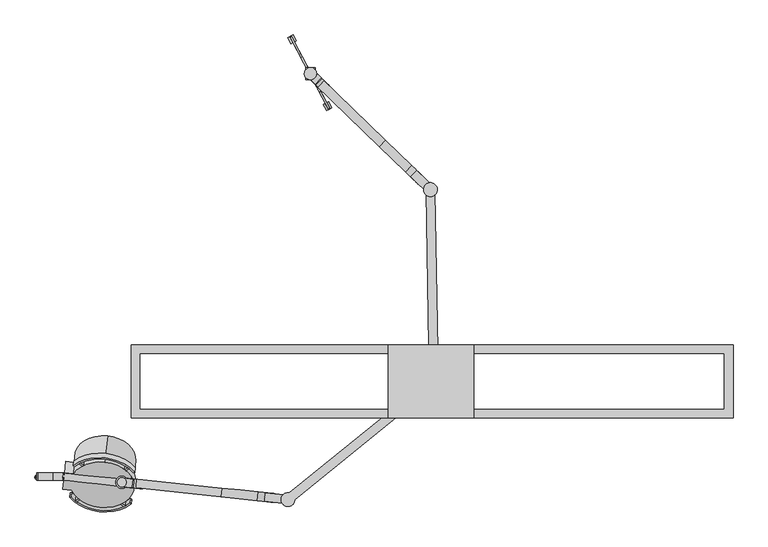
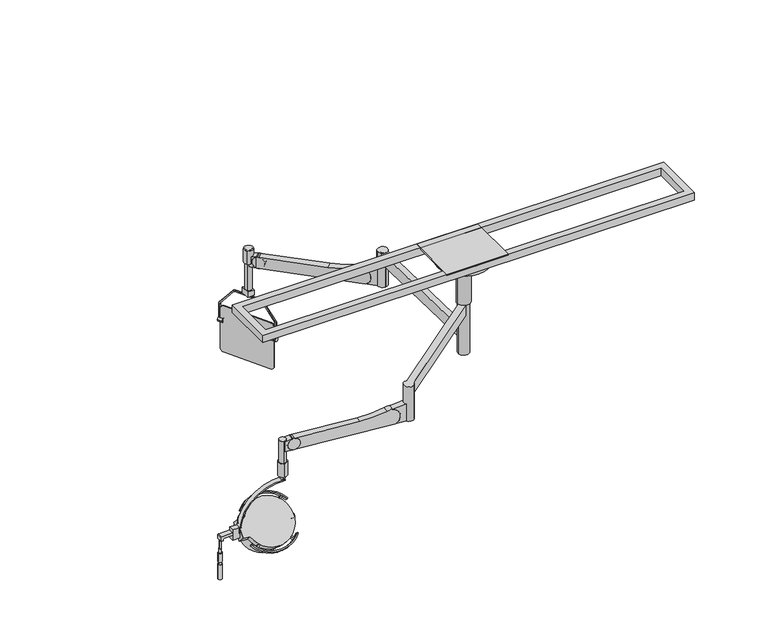
"""IFC4 building model written with IfcOpenShell, lengths in millimetres: proxy geometry."""

from ifc_helpers import new_model, si_unit, point, frame, frame_2d, origin, place, context, project, spatial, polyline, circle_curve, trimmed, segment, composite_curve, outline, extrude, source, transform, mapped, element, save
from ifc_brep_helpers import plane_surface, cylinder_surface, revolved_surface, advanced_brep


def specialty_equipment_5d652185(model_context):
    return source(origin(), model_context, "Body", "SolidModel", [
        advanced_brep(
        [(-513.8942609, 1001.8395463, 2046.4112668), (-522.8376942, 1018.6596979, 2027.3612668), (-522.8376942, 1018.6596979, 1784.8611512), (-513.8942609, 1001.8395463, 1765.8111512), (-383.4691924, 756.5456681, 1765.8111512), (-374.5257591, 739.7255165, 1784.8611512), (-374.5257591, 739.7255165, 2027.3612668), (-383.4691924, 756.5456681, 2046.4112668), (-508.4514172, 1004.7335576, 2046.4289905), (-377.9850696, 759.3620447, 2046.4289905), (-369.0829154, 742.6195278, 2027.3612668), (-369.0829154, 742.6195278, 1784.8611512), (-378.0263487, 759.4396794, 1765.8111512), (-508.4514172, 1004.7335576, 1765.8111512), (-517.3948505, 1021.5537092, 1784.8611512), (-517.3948505, 1021.5537092, 2027.3612668)],
        [
            (0, 1, circle_curve(frame((-513.8942609, 1001.8395463, 2027.3612668), z_axis=(-0.8829475928589281, -0.4694715627858887, 0.0), x_axis=(0.4694715627858887, -0.8829475928589281, 0.0)), 19.05)),
            (1, 2),
            (2, 3, circle_curve(frame((-513.8942609, 1001.8395463, 1784.8611512), z_axis=(-0.8829475928589281, -0.4694715627858887, 0.0), x_axis=(0.4694715627858887, -0.8829475928589281, 0.0)), 19.05)),
            (3, 4),
            (4, 5, circle_curve(frame((-383.4691924, 756.5456681, 1784.8611512), z_axis=(-0.8829475928589281, -0.4694715627858887, 0.0), x_axis=(0.4694715627858887, -0.8829475928589281, 0.0)), 19.05)),
            (5, 6),
            (6, 7, circle_curve(frame((-383.4691924, 756.5456681, 2027.3612668), z_axis=(-0.8829475928589281, -0.4694715627858887, 0.0), x_axis=(0.4694715627858887, -0.8829475928589281, 0.0)), 19.05)),
            (7, 0),
            (8, 9),
            (9, 10, circle_curve(frame((-378.0263487, 759.4396794, 2027.3612668), z_axis=(0.8829475928589281, 0.4694715627858887, 0.0), x_axis=(0.4694715627858887, -0.8829475928589281, 0.0)), 19.05)),
            (10, 11),
            (11, 12, circle_curve(frame((-378.0263487, 759.4396794, 1784.8611512), z_axis=(0.8829475928589281, 0.4694715627858887, 0.0), x_axis=(0.4694715627858887, -0.8829475928589281, 0.0)), 19.05)),
            (12, 13),
            (13, 14, circle_curve(frame((-508.4514172, 1004.7335576, 1784.8611512), z_axis=(0.8829475928589281, 0.4694715627858887, 0.0), x_axis=(0.4694715627858887, -0.8829475928589281, 0.0)), 19.05)),
            (14, 15),
            (15, 8, circle_curve(frame((-508.4514172, 1004.7335576, 2027.3612668), z_axis=(0.8829475928589281, 0.4694715627858887, 0.0), x_axis=(0.4694715627858887, -0.8829475928589281, 0.0)), 19.05)),
            (1, 15),
            (14, 2),
            (3, 13),
            (12, 4),
            (7, 9),
            (8, 0),
            (11, 5),
            (10, 6),
        ],
        [
            plane_surface(frame((-504.9508276, 985.0193946, 2027.3612668), z_axis=(-0.8829475928589281, -0.4694715627858887, 0.0), x_axis=(0.0, 0.0, 1.0))),
            plane_surface(frame((-499.507984, 987.9134059, 2027.3612668), z_axis=(0.8829475928589281, 0.4694715627858887, 0.0), x_axis=(0.0, 0.0, -1.0))),
            plane_surface(frame((-522.8376942, 1018.6596979, 2027.3612668), z_axis=(-0.46947156278589225, 0.8829475928589262, 0.0), x_axis=(0.8829475928589262, 0.46947156278589225, 0.0))),
            plane_surface(frame((-513.8942609, 1001.8395463, 1765.8111512), z_axis=(0.0, 0.0, -1.0000000000000002), x_axis=(0.8829475928589262, 0.46947156278589225, 0.0))),
            plane_surface(frame((-383.4279132, 756.4680334, 2046.4289905), z_axis=(0.0, 0.0, 1.0000000000000002), x_axis=(0.8829475928589262, 0.46947156278589225, 0.0))),
            cylinder_surface(frame((-508.4514172, 1004.7335576, 2027.3612668), z_axis=(-0.8829475928589281, -0.4694715627858887, 0.0), x_axis=(0.4694715627858887, -0.8829475928589281, 0.0)), 19.05),
            cylinder_surface(frame((-508.4514172, 1004.7335576, 1784.8611512), z_axis=(-0.8829475928589281, -0.4694715627858887, 0.0), x_axis=(0.4694715627858887, -0.8829475928589281, 0.0)), 19.05),
            cylinder_surface(frame((-378.0263487, 759.4396794, 1784.8611512), z_axis=(-0.8829475928589281, -0.4694715627858887, 0.0), x_axis=(0.4694715627858887, -0.8829475928589281, 0.0)), 19.05),
            plane_surface(frame((-374.5257591, 739.7255165, 1784.8611512), z_axis=(0.46947156278589225, -0.8829475928589262, 0.0), x_axis=(0.8829475928589262, 0.46947156278589225, 0.0))),
            cylinder_surface(frame((-378.0263487, 759.4396794, 2027.3612668), z_axis=(-0.8829475928589281, -0.4694715627858887, 0.0), x_axis=(0.4694715627858887, -0.8829475928589281, 0.0)), 19.05),
        ],
        [
            (0, [[1, 2, 3, 4, 5, 6, 7, 8]]),
            (1, [[9, 10, 11, 12, 13, 14, 15, 16]]),
            (2, [[-2, 17, -15, 18]]),
            (3, [[-4, 19, -13, 20]]),
            (4, [[-8, 21, -9, 22]]),
            (5, [[-1, -22, -16, -17]]),
            (6, [[-3, -18, -14, -19]]),
            (7, [[-5, -20, -12, 23]]),
            (8, [[-6, -23, -11, 24]]),
            (9, [[-7, -24, -10, -21]]),
        ],
    ),
        extrude(outline(composite_curve([segment(trimmed(circle_curve(frame_2d((0.0, -12.7)), 12.7), [point((0.0, -25.4))], [point((0.0, 0.0))], False, "CARTESIAN"), True, "CONTINUOUS"), segment(trimmed(circle_curve(frame_2d((0.0, -12.7)), 12.7), [point((0.0, 0.0))], [point((0.0, -25.4))], False, "CARTESIAN"), True, "CONTINUOUS")], self_intersect=False)), frame((-523.812155, 1000.15818, 1957.1110612), z_axis=(-0.46947156278589297, 0.8829475928589258, 0.0), x_axis=(0.0, 0.0, -1.0)), (0.0, 0.0, 1.0), 27.7312661),
        extrude(outline(composite_curve([segment(trimmed(circle_curve(frame_2d((0.0, -12.7)), 12.7), [point((0.0, -25.3999999))], [point((0.0, 0.0))], False, "CARTESIAN"), True, "CONTINUOUS"), segment(trimmed(circle_curve(frame_2d((0.0, -12.7)), 12.7), [point((0.0, 0.0))], [point((0.0, -25.3999999))], False, "CARTESIAN"), True, "CONTINUOUS")], self_intersect=False)), frame((-375.9280269, 722.0285866, 1957.1110612), z_axis=(-0.4694715627858873, 0.8829475928589289, 0.0), x_axis=(0.0, 0.0, -1.0)), (0.0, 0.0, 1.0), 27.7312661),
        extrude(outline(polyline([(-462.8551233, 850.0746977), (-462.8551233, 900.8746977), (-423.7336203, 900.8746977), (-423.7336203, 850.0746977), (-462.8551233, 850.0746977)])), frame((0.0, 0.0, 2174.6956266), z_axis=(0.0, 0.0, 1.0), x_axis=(1.0, 0.0, 0.0)), (0.0, 0.0, 1.0), 31.75),
        extrude(outline(composite_curve([segment(trimmed(circle_curve(frame_2d((0.0, -20.2693963)), 20.2693964), [point((12.7168685, -4.4855538))], [point((20.2693964, -20.2693963))], False, "CARTESIAN"), True, "CONTINUOUS"), segment(polyline([(20.2693964, -20.2693963), (20.2693964, -168.0406938)]), True, "CONTINUOUS"), segment(trimmed(circle_curve(frame_2d((0.0, -168.0406938)), 20.2693964), [point((20.2693964, -168.0406938))], [point((11.9140523, -184.4389799))], False, "CARTESIAN"), True, "CONTINUOUS"), segment(polyline([(11.9140523, -184.4389799), (-84.9796948, -262.5366206)]), True, "CONTINUOUS"), segment(trimmed(circle_curve(frame_2d((-92.4638155, -253.4593625)), 11.7647217), [point((-84.9796948, -262.5366206))], [point((-92.3622355, -265.2236457))], False, "CARTESIAN"), True, "CONTINUOUS"), segment(polyline([(-92.3622355, -265.2236457), (-177.1978944, -265.2236457), (-177.1978944, -256.6369988), (-94.1751587, -256.6369988)]), True, "CONTINUOUS"), segment(trimmed(circle_curve(frame_2d((-93.8125497, -246.9819184)), 9.661887), [point((-94.1751587, -256.6369988))], [point((-87.7322164, -254.4906872))], True, "CARTESIAN"), True, "CONTINUOUS"), segment(polyline([(-87.7322164, -254.4906872), (11.0847239, -174.4722513)]), True, "CONTINUOUS"), segment(trimmed(circle_curve(frame_2d((6.5642061, -168.8897411)), 7.1832793), [point((11.0847239, -174.4722513))], [point((13.7470195, -168.9715488))], True, "CARTESIAN"), True, "CONTINUOUS"), segment(polyline([(13.7470195, -168.9715488), (13.7470195, -15.1713537)]), True, "CONTINUOUS"), segment(trimmed(circle_curve(frame_2d((6.5642061, -15.2531615)), 7.1832793), [point((13.7470195, -15.1713537))], [point((10.9381038, -9.555046))], True, "CARTESIAN"), True, "CONTINUOUS"), segment(polyline([(10.9381038, -9.555046), (-87.9294285, 66.3360918)]), True, "CONTINUOUS"), segment(trimmed(circle_curve(frame_2d((-93.8125501, 58.6718279)), 9.661887), [point((-87.9294285, 66.3360918))], [point((-91.9442248, 68.1513543))], True, "CARTESIAN"), True, "CONTINUOUS"), segment(polyline([(-91.9442248, 68.1513543), (-177.1978944, 68.1513543), (-177.1978944, 76.9135556), (-92.3623126, 76.9135556)]), True, "CONTINUOUS"), segment(trimmed(circle_curve(frame_2d((-92.463816, 65.1492718)), 11.7647217), [point((-92.3623126, 76.9135556))], [point((-85.0827171, 74.3104975))], False, "CARTESIAN"), True, "CONTINUOUS"), segment(polyline([(-85.0827171, 74.3104975), (12.7168685, -4.4855538)]), True, "CONTINUOUS")], self_intersect=False)), frame((-403.6078411, 794.4209579, 2146.9059978), z_axis=(0.8829475928589281, 0.4694715627858887, 0.0), x_axis=(0.0, 0.0, 1.0)), (0.0, 0.0, 1.0), 6.1644017),
        advanced_brep(
        [(-1584.208122, -803.9443314, 2028.4513735), (-1570.1467767, -803.9443314, 2028.4513735), (-1571.9428855, -803.9443314, 2028.4513735), (-1582.4120132, -803.9443314, 2028.4513735), (-1584.208122, -803.9443314, 2003.0513735), (-1570.1467767, -803.9443314, 2003.0513735), (-1587.8930744, -803.9443314, 2003.0513735), (-1566.4618244, -803.9443314, 2003.0513735), (-1587.8930744, -803.9443314, 1949.888952), (-1566.4618244, -803.9443314, 1949.888952), (-1585.7004757, -803.9443314, 1933.2013735), (-1568.654423, -803.9443314, 1933.2013735), (-1568.654423, -803.9443314, 1949.888952), (-1585.7004757, -803.9443314, 1949.888952), (-1588.2899494, -803.9443314, 1933.2013735), (-1566.0649494, -803.9443314, 1933.2013735), (-1588.2899494, -803.9443314, 1844.3013735), (-1566.0649494, -803.9443314, 1844.3013735), (-1577.1774494, -803.9443314, 1844.3013735), (-1582.4120132, -803.9443314, 2079.2513735), (-1571.9428855, -803.9443314, 2079.2513735), (-1577.1774494, -803.9443314, 2079.2513735)],
        [
            (0, 1, circle_curve(frame((-1577.1774494, -803.9443314, 2028.4513735), z_axis=(0.0, 0.0, 1.0), x_axis=(1.0, 0.0, 0.0)), 7.0306726)),
            (1, 2),
            (2, 3, circle_curve(frame((-1577.1774494, -803.9443314, 2028.4513735), z_axis=(0.0, 0.0, -1.0), x_axis=(1.0, 0.0, 0.0)), 5.2345639)),
            (3, 0),
            (1, 0, circle_curve(frame((-1577.1774494, -803.9443314, 2028.4513735), z_axis=(0.0, 0.0, 1.0), x_axis=(1.0, 0.0, 0.0)), 7.0306726)),
            (3, 2, circle_curve(frame((-1577.1774494, -803.9443314, 2028.4513735), z_axis=(0.0, 0.0, -1.0), x_axis=(1.0, 0.0, 0.0)), 5.2345639)),
            (4, 5, circle_curve(frame((-1577.1774494, -803.9443314, 2003.0513735), z_axis=(0.0, 0.0, 1.0), x_axis=(1.0, 0.0, 0.0)), 7.0306726)),
            (5, 1),
            (0, 4),
            (5, 4, circle_curve(frame((-1577.1774494, -803.9443314, 2003.0513735), z_axis=(0.0, 0.0, 1.0), x_axis=(1.0, 0.0, 0.0)), 7.0306726)),
            (6, 7, circle_curve(frame((-1577.1774494, -803.9443314, 2003.0513735), z_axis=(0.0, 0.0, 1.0), x_axis=(1.0, 0.0, 0.0)), 10.715625)),
            (7, 5),
            (4, 6),
            (7, 6, circle_curve(frame((-1577.1774494, -803.9443314, 2003.0513735), z_axis=(0.0, 0.0, 1.0), x_axis=(1.0, 0.0, 0.0)), 10.715625)),
            (8, 9, circle_curve(frame((-1577.1774494, -803.9443314, 1949.888952), z_axis=(0.0, 0.0, 1.0), x_axis=(1.0, 0.0, 0.0)), 10.715625)),
            (9, 7),
            (6, 8),
            (9, 8, circle_curve(frame((-1577.1774494, -803.9443314, 1949.888952), z_axis=(0.0, 0.0, 1.0), x_axis=(1.0, 0.0, 0.0)), 10.715625)),
            (10, 11, circle_curve(frame((-1577.1774494, -803.9443314, 1933.2013735), z_axis=(0.0, 0.0, 1.0), x_axis=(1.0, 0.0, 0.0)), 8.5230263)),
            (11, 12),
            (12, 13, circle_curve(frame((-1577.1774494, -803.9443314, 1949.888952), z_axis=(0.0, 0.0, -1.0), x_axis=(1.0, 0.0, 0.0)), 8.5230263)),
            (13, 10),
            (11, 10, circle_curve(frame((-1577.1774494, -803.9443314, 1933.2013735), z_axis=(0.0, 0.0, 1.0), x_axis=(1.0, 0.0, 0.0)), 8.5230263)),
            (13, 12, circle_curve(frame((-1577.1774494, -803.9443314, 1949.888952), z_axis=(0.0, 0.0, -1.0), x_axis=(1.0, 0.0, 0.0)), 8.5230263)),
            (14, 15, circle_curve(frame((-1577.1774494, -803.9443314, 1933.2013735), z_axis=(0.0, 0.0, 1.0), x_axis=(1.0, 0.0, 0.0)), 11.1125)),
            (15, 11),
            (10, 14),
            (15, 14, circle_curve(frame((-1577.1774494, -803.9443314, 1933.2013735), z_axis=(0.0, 0.0, 1.0), x_axis=(1.0, 0.0, 0.0)), 11.1125)),
            (16, 17, circle_curve(frame((-1577.1774494, -803.9443314, 1844.3013735), z_axis=(0.0, 0.0, 1.0), x_axis=(1.0, 0.0, 0.0)), 11.1125)),
            (17, 15),
            (14, 16),
            (17, 16, circle_curve(frame((-1577.1774494, -803.9443314, 1844.3013735), z_axis=(0.0, 0.0, 1.0), x_axis=(1.0, 0.0, 0.0)), 11.1125)),
            (18, 17),
            (16, 18),
            (19, 20, circle_curve(frame((-1577.1774494, -803.9443314, 2079.2513735), z_axis=(0.0, 0.0, 1.0), x_axis=(1.0, 0.0, 0.0)), 5.2345639)),
            (20, 21),
            (21, 19),
            (20, 19, circle_curve(frame((-1577.1774494, -803.9443314, 2079.2513735), z_axis=(0.0, 0.0, 1.0), x_axis=(1.0, 0.0, 0.0)), 5.2345639)),
            (2, 20),
            (19, 3),
            (12, 9),
            (8, 13),
        ],
        [
            plane_surface(frame((-1577.1774494, -803.9443314, 2028.4513735), z_axis=(0.0, 0.0, 1.0), x_axis=(1.0, 0.0, 0.0))),
            cylinder_surface(frame((-1577.1774494, -803.9443314, 2079.2513735), z_axis=(0.0, 0.0, -1.0), x_axis=(1.0, 0.0, 0.0)), 7.0306726),
            plane_surface(frame((-1577.1774494, -803.9443314, 2003.0513735), z_axis=(0.0, 0.0, 1.0), x_axis=(1.0, 0.0, 0.0))),
            cylinder_surface(frame((-1577.1774494, -803.9443314, 2079.2513735), z_axis=(0.0, 0.0, -1.0), x_axis=(1.0, 0.0, 0.0)), 10.715625),
            cylinder_surface(frame((-1577.1774494, -803.9443314, 2079.2513735), z_axis=(0.0, 0.0, -1.0), x_axis=(1.0, 0.0, 0.0)), 8.5230263),
            plane_surface(frame((-1577.1774494, -803.9443314, 1933.2013735), z_axis=(0.0, 0.0, 1.0), x_axis=(1.0, 0.0, 0.0))),
            cylinder_surface(frame((-1577.1774494, -803.9443314, 2079.2513735), z_axis=(0.0, 0.0, -1.0), x_axis=(1.0, 0.0, 0.0)), 11.1125),
            plane_surface(frame((-1577.1774494, -803.9443314, 1844.3013735), z_axis=(0.0, 0.0, -1.0), x_axis=(1.0, 0.0, 0.0))),
            plane_surface(frame((-1577.1774494, -803.9443314, 2079.2513735), z_axis=(0.0, 0.0, 1.0), x_axis=(1.0, 0.0, 0.0))),
            cylinder_surface(frame((-1577.1774494, -803.9443314, 2079.2513735), z_axis=(0.0, 0.0, -1.0), x_axis=(1.0, 0.0, 0.0)), 5.2345639),
            plane_surface(frame((-1577.1774494, -803.9443314, 1949.888952), z_axis=(0.0, 0.0, -1.0), x_axis=(1.0, 0.0, 0.0))),
        ],
        [
            (0, [[1, 2, 3, 4]]),
            (0, [[5, -4, 6, -2]]),
            (1, [[7, 8, -1, 9]]),
            (1, [[10, -9, -5, -8]]),
            (2, [[11, 12, -7, 13]]),
            (2, [[14, -13, -10, -12]]),
            (3, [[15, 16, -11, 17]]),
            (3, [[18, -17, -14, -16]]),
            (4, [[19, 20, 21, 22]]),
            (4, [[23, -22, 24, -20]]),
            (5, [[25, 26, -19, 27]]),
            (5, [[28, -27, -23, -26]]),
            (6, [[29, 30, -25, 31]]),
            (6, [[32, -31, -28, -30]]),
            (7, [[33, -29, 34]]),
            (7, [[-34, -32, -33]]),
            (8, [[35, 36, 37]]),
            (8, [[38, -37, -36]]),
            (9, [[-3, 39, -35, 40]]),
            (9, [[-6, -40, -38, -39]]),
            (10, [[-21, 41, -15, 42]]),
            (10, [[-24, -42, -18, -41]]),
        ],
    ),
        extrude(outline(composite_curve([segment(polyline([(2091.9513735, -1560.3619797), (2091.9513735, -1511.2210105), (2107.0326235, -1511.2210105), (2107.0326235, -1574.7210105)]), True, "CONTINUOUS"), segment(trimmed(circle_curve(frame_2d((2100.6826235, -1574.7210105)), 6.35), [point((2107.0326235, -1574.7210105))], [point((2100.6826235, -1581.0710105))], False, "CARTESIAN"), True, "CONTINUOUS"), segment(polyline([(2100.6826235, -1581.0710105), (2079.2513735, -1581.0710105), (2079.2513735, -1565.9897605), (2086.3235927, -1565.9897605)]), True, "CONTINUOUS"), segment(trimmed(circle_curve(frame_2d((2086.3235927, -1560.3619797)), 5.6277808), [point((2086.3235927, -1565.9897605))], [point((2091.9513735, -1560.3619797))], True, "CARTESIAN"), True, "CONTINUOUS")], self_intersect=False)), frame((0.0, -816.7454978, 0.0), z_axis=(0.0, 1.0, 0.0), x_axis=(0.0, 0.0, 1.0)), (0.0, 0.0, 1.0), 30.2616651),
        extrude(outline(polyline([(-1511.2210105, -816.7454978), (-1511.2210105, -786.4838327), (-1461.9484859, -786.4838327), (-1461.9484859, -816.7454978), (-1511.2210105, -816.7454978)])), frame((0.0, 0.0, 2063.0952448), z_axis=(0.0, 0.0, 1.0), x_axis=(1.0, 0.0, 0.0)), (0.0, 0.0, 1.0), 62.4747574),
        extrude(outline(composite_curve([segment(trimmed(circle_curve(frame_2d((-442.6627669, 875.4746977)), 25.4), [point((-425.0184443, 893.7459287))], [point((-460.3070895, 857.2034668))], False, "CARTESIAN"), True, "CONTINUOUS"), segment(trimmed(circle_curve(frame_2d((-442.6627669, 875.4746977)), 25.4), [point((-460.3070895, 857.2034668))], [point((-425.0184443, 893.7459287))], False, "CARTESIAN"), True, "CONTINUOUS")], self_intersect=False)), frame((0.0, 0.0, 2372.395801), z_axis=(0.0, 0.0, 1.0), x_axis=(1.0, 0.0, 0.0)), (0.0, 0.0, 1.0), 81.4023591),
        extrude(outline(composite_curve([segment(trimmed(circle_curve(frame_2d((-442.6627669, 875.4746977)), 19.05), [point((-429.4295249, 889.1781209))], [point((-455.8960088, 861.7712745))], False, "CARTESIAN"), True, "CONTINUOUS"), segment(trimmed(circle_curve(frame_2d((-442.6627669, 875.4746977)), 19.05), [point((-455.8960088, 861.7712745))], [point((-429.4295249, 889.1781209))], False, "CARTESIAN"), True, "CONTINUOUS")], self_intersect=False)), frame((0.0, 0.0, 2206.4456266), z_axis=(0.0, 0.0, 1.0), x_axis=(1.0, 0.0, 0.0)), (0.0, 0.0, 1.0), 247.3525334),
        extrude(outline(composite_curve([segment(trimmed(circle_curve(frame_2d((7.3880479, -33.469286)), 34.2750106), [point((0.0, 0.0))], [point((0.0, -66.9385719))], True, "CARTESIAN"), True, "CONTINUOUS"), segment(polyline([(0.0, -66.9385719), (-47.5884878, -62.7751187), (-47.5884878, 0.0), (0.0, 0.0)]), True, "CONTINUOUS")], self_intersect=False)), frame((-421.1952184, 829.1986761, 2352.5500689), z_axis=(0.6946583704590021, 0.7193398003386466, 0.0), x_axis=(0.7193398003386466, -0.6946583704590021, 0.0)), (0.0, 0.0, 1.0), 36.7511439),
        extrude(outline(composite_curve([segment(trimmed(circle_curve(frame_2d((0.0, -34.2750106)), 34.2750106), [point((0.0, -68.5500212))], [point((0.0, 0.0))], False, "CARTESIAN"), True, "CONTINUOUS"), segment(trimmed(circle_curve(frame_2d((0.0, -34.2750106)), 34.2750106), [point((0.0, 0.0))], [point((0.0, -68.5500212))], False, "CARTESIAN"), True, "CONTINUOUS")], self_intersect=False)), frame((-391.2253222, 800.2570838, 2386.0193549), z_axis=(0.6946583704590019, 0.7193398003386466, 0.0), x_axis=(0.0, 0.0, 1.0)), (0.0, 0.0, 1.0), 36.7511439),
        extrude(outline(composite_curve([segment(polyline([(41.2242612, 21.6592667), (41.2242612, -76.3924791), (-68.2721908, -76.3924791), (-49.8465036, 45.4330266)]), True, "CONTINUOUS"), segment(trimmed(circle_curve(frame_2d((0.0, 50.0608718)), 50.0608717), [point((-49.8465036, 45.4330266))], [point((41.2242612, 21.6592667))], True, "CARTESIAN"), True, "CONTINUOUS")], self_intersect=False)), frame((4.1685268, 416.7737102, 2392.9338142), z_axis=(0.694658370459002, 0.7193398003386466, 0.0), x_axis=(0.0, 0.0, -1.0)), (0.0, 0.0, 1.0), 36.7511439),
        extrude(outline(composite_curve([segment(polyline([(710.5492114, 698.8665187), (710.5492114, 1069.9138415), (779.1688151, 1069.9138415), (779.1688151, 503.4843296)]), True, "CONTINUOUS"), segment(trimmed(circle_curve(frame_2d((735.4529793, 525.329056)), 48.8698923), [point((779.1688151, 503.4843296))], [point((691.4514506, 546.5924483))], False, "CARTESIAN"), True, "CONTINUOUS"), segment(trimmed(circle_curve(frame_2d((0.0, 710.6468589)), 710.646859), [point((691.4514506, 546.5924483))], [point((710.5492114, 698.8665187))], True, "CARTESIAN"), True, "CONTINUOUS")], self_intersect=False)), frame((345.8979888, 86.7694047, 3130.8783681), z_axis=(0.694658370459002, 0.7193398003386466, 0.0), x_axis=(0.0, 0.0, -1.0)), (0.0, 0.0, 1.0), 36.7511439),
        extrude(outline(composite_curve([segment(trimmed(circle_curve(frame_2d((56.1712971, 392.7134114)), 28.5779075), [point((84.744852, 393.2121647))], [point((27.5977422, 392.2146582))], False, "CARTESIAN"), True, "CONTINUOUS"), segment(trimmed(circle_curve(frame_2d((56.1712971, 392.7134114)), 28.5779075), [point((27.5977422, 392.2146582))], [point((84.744852, 393.2121647))], False, "CARTESIAN"), True, "CONTINUOUS")], self_intersect=False)), frame((0.0, 0.0, 2351.709553), z_axis=(0.0, 0.0, 1.0), x_axis=(1.0, 0.0, 0.0)), (0.0, 0.0, 1.0), 209.55),
        extrude(outline(polyline([(74.6698141, 382.3327244), (88.0328342, -383.2341812), (51.2872877, -383.8755771), (37.9242676, 381.6913285), (74.6698141, 382.3327244)])), frame((0.0, 0.0, 2495.4957127), z_axis=(0.0, 0.0, 1.0), x_axis=(1.0, 0.0, 0.0)), (0.0, 0.0, 1.0), 65.7638403),
        advanced_brep(
        [(-1317.8816643, -929.2233402, 2024.6636825), (-1298.1691245, -741.6710521, 2213.2490611), (-1428.2554124, -788.7568776, 2152.8234568), (-1465.1524714, -784.8788405, 2152.8234568), (-1472.4793898, -854.5898129, 2082.7284969), (-1434.2528075, -858.6075886, 2082.7284969), (-1294.7654582, -709.2873306, 2180.686961), (-1314.4779981, -896.8396187, 1992.1015825), (-1430.8491412, -826.2238671, 2050.1663968), (-1426.4836842, -826.6826951, 2050.1663968), (-1419.1567657, -756.9717227, 2120.2613567), (-1424.8517461, -756.3731562, 2120.2613567), (-1417.6940861, -743.0552556, 2106.2682338), (-1460.2861254, -738.5786518, 2106.2682338), (-1467.6130439, -808.2896242, 2036.1732739), (-1425.0210045, -812.766228, 2036.1732739)],
        [
            (0, 1, circle_curve(frame((-1308.0253944, -835.4471961, 2118.9563718), z_axis=(-0.07391278520356515, -0.7032331762534036, 0.7071067811865482), x_axis=(-0.07391278520356531, -0.7032331762534051, -0.7071067811865469)), 133.35)),
            (1, 2, circle_curve(frame((-1308.0253944, -835.4471961, 2118.9563718), z_axis=(-0.07391278520356515, -0.7032331762534036, 0.7071067811865482), x_axis=(-0.07391278520356531, -0.7032331762534051, -0.7071067811865469)), 133.35)),
            (2, 3),
            (3, 4),
            (4, 5),
            (5, 0, circle_curve(frame((-1308.0253944, -835.4471961, 2118.9563718), z_axis=(-0.07391278520356515, -0.7032331762534036, 0.7071067811865482), x_axis=(-0.07391278520356531, -0.7032331762534051, -0.7071067811865469)), 133.35)),
            (6, 7, circle_curve(frame((-1304.6217282, -803.0634746, 2086.3942717), z_axis=(0.07391278520356515, 0.7032331762534036, -0.7071067811865482), x_axis=(-0.07391278520356531, -0.7032331762534051, -0.7071067811865469)), 133.35)),
            (7, 8, circle_curve(frame((-1304.6217282, -803.0634746, 2086.3942717), z_axis=(0.07391278520356515, 0.7032331762534036, -0.7071067811865482), x_axis=(-0.07391278520356531, -0.7032331762534051, -0.7071067811865469)), 133.35)),
            (8, 9),
            (9, 10),
            (10, 11),
            (11, 6, circle_curve(frame((-1304.6217282, -803.0634746, 2086.3942717), z_axis=(0.07391278520356515, 0.7032331762534036, -0.7071067811865482), x_axis=(-0.07391278520356531, -0.7032331762534051, -0.7071067811865469)), 133.35)),
            (1, 6),
            (11, 2),
            (7, 0),
            (5, 8),
            (12, 13),
            (13, 3),
            (10, 12),
            (4, 14),
            (14, 15),
            (15, 9),
            (12, 15),
            (14, 13),
        ],
        [
            plane_surface(frame((-1317.8816643, -929.2233402, 2024.6636825), z_axis=(-0.07391278520356521, -0.7032331762534038, 0.7071067811865483), x_axis=(0.9945218953682736, -0.1045284632676514, 0.0))),
            plane_surface(frame((-1314.4779981, -896.8396187, 1992.1015825), z_axis=(0.07391278520356521, 0.7032331762534038, -0.7071067811865483), x_axis=(-0.9945218953682736, 0.1045284632676514, 0.0))),
            cylinder_surface(frame((-1304.6217282, -803.0634746, 2086.3942717), z_axis=(-0.07391278520356516, -0.7032331762534038, 0.7071067811865483), x_axis=(-0.07391278520356531, -0.7032331762534051, -0.7071067811865469)), 133.35),
            plane_surface(frame((-1460.2861254, -738.5786518, 2106.2682338), z_axis=(0.07391278520356691, 0.703233176253405, 0.7071067811865469), x_axis=(-0.9945218953682736, 0.10452846326765093, 0.0))),
            plane_surface(frame((-1467.6130439, -808.2896242, 2036.1732739), z_axis=(-0.07391278520356691, -0.703233176253405, -0.7071067811865469), x_axis=(0.9945218953682736, -0.10452846326765093, 0.0))),
            plane_surface(frame((-1417.6940861, -743.0552556, 2106.2682338), z_axis=(0.07391278520356293, 0.7032331762534036, -0.7071067811865488), x_axis=(-0.07391278520356726, -0.7032331762534053, -0.7071067811865465))),
            plane_surface(frame((-1460.2861254, -738.5786518, 2106.2682338), z_axis=(-0.9945218953682737, 0.104528463267651, 0.0), x_axis=(-0.07391278520356726, -0.7032331762534053, -0.7071067811865465))),
            plane_surface(frame((-1422.560432, -789.3554442, 2152.8234568), z_axis=(0.9945218953682737, -0.104528463267651, 0.0), x_axis=(-0.07391278520356726, -0.7032331762534053, -0.7071067811865465))),
        ],
        [
            (0, [[1, 2, 3, 4, 5, 6]]),
            (1, [[7, 8, 9, 10, 11, 12]]),
            (2, [[13, -12, 14, -2]]),
            (2, [[15, -6, 16, -8]]),
            (2, [[-1, -15, -7, -13]]),
            (3, [[17, 18, -3, -14, -11, 19]]),
            (4, [[20, 21, 22, -9, -16, -5]]),
            (5, [[-17, 23, -21, 24]]),
            (6, [[-18, -24, -20, -4]]),
            (7, [[-23, -19, -10, -22]]),
        ],
    ),
        extrude(outline(composite_curve([segment(trimmed(circle_curve(frame_2d((0.0, -12.7)), 12.7), [point((1e-07, -25.4))], [point((0.0, 0.0))], False, "CARTESIAN"), True, "CONTINUOUS"), segment(trimmed(circle_curve(frame_2d((0.0, -12.7)), 12.7), [point((0.0, 0.0))], [point((1e-07, -25.4))], False, "CARTESIAN"), True, "CONTINUOUS")], self_intersect=False)), frame((-1165.9192325, -824.4571923, 2113.3546941), z_axis=(-0.9945218953682732, 0.10452846326765453, 0.0), x_axis=(-0.07391278520356735, -0.7032331762534035, 0.7071067811865482)), (0.0, 0.0, 1.0), 16.4565188),
        extrude(outline(composite_curve([segment(trimmed(circle_curve(frame_2d((-1e-07, -127.0)), 127.0), [point((-1e-07, -254.0))], [point((0.0, 0.0))], False, "CARTESIAN"), True, "CONTINUOUS"), segment(trimmed(circle_curve(frame_2d((-1e-07, -127.0)), 127.0), [point((0.0, 0.0))], [point((-1e-07, -254.0))], False, "CARTESIAN"), True, "CONTINUOUS")], self_intersect=False)), frame((-1305.2362725, -811.2181778, 1913.9752738), z_axis=(-0.07391278520356517, -0.7032331762534036, 0.7071067811865483), x_axis=(-0.9945218953682736, 0.10452846326765138, 0.0)), (0.0, 0.0, 1.0), 116.1385621),
        extrude(outline(polyline([(0.0, 0.0), (3.1250724, -17.7231666), (-4.9953789, -19.1550213), (-8.372926, 0.0), (0.0, 0.0)])), frame((-1389.929605, -739.1713865, 2168.9296226), z_axis=(-0.07391278520356503, -0.7032331762534039, 0.7071067811865481), x_axis=(-0.857059275618917, -0.3177332747871823, -0.4055797876726481)), (0.0, 0.0, 1.0), 26.3141506),
        extrude(outline(polyline([(18.498546, 1e-07), (19.9524894, -8.2457224), (0.501971, -8.2457224), (0.501971, 0.0), (18.498546, 1e-07)])), frame((-1193.9185175, -750.4727613, 2178.1788956), z_axis=(-0.07391278520356509, -0.7032331762534036, 0.7071067811865483), x_axis=(-0.7554974078872302, -0.423348162480572, -0.49999999999999944)), (0.0, 0.0, 1.0), 26.3141506),
        extrude(outline(composite_curve([segment(polyline([(128.2125306, -66.0776604), (123.7224025, -70.5677884)]), True, "CONTINUOUS"), segment(trimmed(circle_curve(frame_2d((0.0, -160.9109814)), 153.1963621), [point((123.7224025, -70.5677884))], [point((-123.7224025, -70.5677884))], True, "CARTESIAN"), True, "CONTINUOUS"), segment(polyline([(-123.7224025, -70.5677884), (-128.2125305, -66.0776604)]), True, "CONTINUOUS"), segment(trimmed(circle_curve(frame_2d((0.0, -157.4262018)), 157.4262018), [point((-128.2125305, -66.0776604))], [point((128.2125306, -66.0776604))], False, "CARTESIAN"), True, "CONTINUOUS")], self_intersect=False)), frame((-1294.324643, -705.0932536, 2212.8145116), z_axis=(-0.0739127852035651, -0.7032331762534036, 0.7071067811865482), x_axis=(0.9945218953682736, -0.10452846326765133, 0.0)), (0.0, 0.0, 1.0), 26.3141506),
        extrude(outline(polyline([(18.4985461, 0.0), (19.9524893, -8.2457224), (0.5019711, -8.2457224), (0.501971, 0.0), (18.4985461, 0.0)])), frame((-1418.2423671, -883.4116635, 2022.5200194), z_axis=(-0.07391278520356517, -0.7032331762534039, 0.7071067811865481), x_axis=(0.7554974078872324, 0.42334816248057, 0.49999999999999784)), (0.0, 0.0, 1.0), 26.3141506),
        extrude(outline(polyline([(0.0, 0.0), (3.1250724, -17.7231666), (-4.9953789, -19.1550212), (-8.3729259, 0.0), (0.0, 0.0)])), frame((-1222.2312796, -894.7130384, 2031.7692924), z_axis=(-0.07391278520356527, -0.7032331762534036, 0.7071067811865482), x_axis=(0.8570592756189218, 0.3177332747871762, 0.40557978767264263)), (0.0, 0.0, 1.0), 26.3141506),
        extrude(outline(composite_curve([segment(trimmed(circle_curve(frame_2d((-129.8531229, -26.0667767)), 157.4262018), [point((25.3999999, -1e-07))], [point((-155.9198996, -181.3198996))], False, "CARTESIAN"), True, "CONTINUOUS"), segment(polyline([(-155.9198996, -181.3198996), (-155.9198996, -174.9698996)]), True, "CONTINUOUS"), segment(trimmed(circle_curve(frame_2d((-132.3172342, -23.6026655)), 153.1963621), [point((-155.9198996, -174.9698996))], [point((19.0499999, -1e-07))], True, "CARTESIAN"), True, "CONTINUOUS"), segment(polyline([(19.0499999, -1e-07), (25.3999999, -1e-07)]), True, "CONTINUOUS")], self_intersect=False)), frame((-1201.9766999, -881.2172142, 2047.3083651), z_axis=(-0.07391278520356528, -0.7032331762534036, 0.7071067811865483), x_axis=(0.6509689446196784, -0.5711737328876467, -0.49999999999993344)), (0.0, 0.0, 1.0), 26.3141506),
        extrude(outline(composite_curve([segment(polyline([(0.0, 0.0), (6.3415605, 0.0)]), True, "CONTINUOUS"), segment(trimmed(circle_curve(frame_2d((259.6750509, -26.7712504)), 254.7441013), [point((6.3415605, 0.0))], [point((253.7031106, -281.4453423))], True, "CARTESIAN"), True, "CONTINUOUS"), segment(polyline([(253.7031106, -281.4453423), (253.7031106, -288.5484987)]), True, "CONTINUOUS"), segment(trimmed(circle_curve(frame_2d((261.517805, -25.8704226)), 262.7942943), [point((253.7031106, -288.5484987))], [point((0.0, 0.0))], False, "CARTESIAN"), True, "CONTINUOUS")], self_intersect=False)), frame((-1474.8454562, -816.4331656, 2063.0952448), z_axis=(0.10452846326765929, 0.9945218953682727, 0.0), x_axis=(0.9945218953682727, -0.10452846326765929, 0.0)), (0.0, 0.0, 1.0), 30.1143022),
        extrude(outline(composite_curve([segment(trimmed(circle_curve(frame_2d((-1227.0018995, -825.1702974)), 12.7), [point((-1228.329411, -837.8007255))], [point((-1225.674388, -812.5398693))], False, "CARTESIAN"), True, "CONTINUOUS"), segment(trimmed(circle_curve(frame_2d((-1227.0018995, -825.1702974)), 12.7), [point((-1225.674388, -812.5398693))], [point((-1228.329411, -837.8007255))], False, "CARTESIAN"), True, "CONTINUOUS")], self_intersect=False)), frame((0.0, 0.0, 2350.961509), z_axis=(0.0, 0.0, 1.0), x_axis=(1.0, 0.0, 0.0)), (0.0, 0.0, 1.0), 21.434292),
        advanced_brep(
        [(-1228.9931667, -844.1159395, 2587.8665526), (-1225.0106323, -806.2246553, 2587.8665526), (-1228.9931667, -844.1159395, 2453.79816), (-1225.0106323, -806.2246553, 2453.79816), (-1229.6569225, -850.4311535, 2453.79816), (-1224.3468765, -799.9094412, 2453.79816), (-1229.6569225, -850.4311535, 2372.395801), (-1224.3468765, -799.9094412, 2372.395801)],
        [
            (0, 1, circle_curve(frame((-1227.0018995, -825.1702974, 2587.8665526), z_axis=(0.0, 0.0, 1.0), x_axis=(0.10452846326765758, 0.9945218953682731, 0.0)), 19.05)),
            (1, 0, circle_curve(frame((-1227.0018995, -825.1702974, 2587.8665526), z_axis=(0.0, 0.0, 1.0), x_axis=(0.10452846326765758, 0.9945218953682731, 0.0)), 19.05)),
            (0, 2),
            (2, 3, circle_curve(frame((-1227.0018995, -825.1702974, 2453.79816), z_axis=(0.0, 0.0, 1.0), x_axis=(0.10452846326765758, 0.9945218953682731, 0.0)), 19.05)),
            (3, 1),
            (3, 2, circle_curve(frame((-1227.0018995, -825.1702974, 2453.79816), z_axis=(0.0, 0.0, 1.0), x_axis=(0.10452846326765758, 0.9945218953682731, 0.0)), 19.05)),
            (4, 5, circle_curve(frame((-1227.0018995, -825.1702974, 2453.79816), z_axis=(0.0, 0.0, 1.0), x_axis=(0.10452846326765758, 0.9945218953682731, 0.0)), 25.4)),
            (5, 4, circle_curve(frame((-1227.0018995, -825.1702974, 2453.79816), z_axis=(0.0, 0.0, 1.0), x_axis=(0.10452846326765758, 0.9945218953682731, 0.0)), 25.4)),
            (6, 7, circle_curve(frame((-1227.0018995, -825.1702974, 2372.395801), z_axis=(0.0, 0.0, -1.0), x_axis=(0.10452846326765758, 0.9945218953682731, 0.0)), 25.4)),
            (7, 6, circle_curve(frame((-1227.0018995, -825.1702974, 2372.395801), z_axis=(0.0, 0.0, -1.0), x_axis=(0.10452846326765758, 0.9945218953682731, 0.0)), 25.4)),
            (4, 6),
            (7, 5),
        ],
        [
            plane_surface(frame((-1225.0106323, -806.2246553, 2587.8665526), z_axis=(0.0, 0.0, 1.0000000000000002), x_axis=(-0.9945218953682731, 0.10452846326765758, 0.0))),
            cylinder_surface(frame((-1227.0018995, -825.1702974, 2453.79816), z_axis=(0.0, 0.0, 1.0000000000000002), x_axis=(0.10452846326765758, 0.9945218953682731, 0.0)), 19.05),
            plane_surface(frame((-1224.3468765, -799.9094412, 2453.79816), z_axis=(0.0, 0.0, 1.0), x_axis=(-0.994521895368273, 0.10452846326765756, 0.0))),
            plane_surface(frame((-1224.3468765, -799.9094412, 2372.395801), z_axis=(0.0, 0.0, -1.0), x_axis=(0.994521895368273, -0.10452846326765756, 0.0))),
            cylinder_surface(frame((-1227.0018995, -825.1702974, 2372.395801), z_axis=(0.0, 0.0, 1.0000000000000002), x_axis=(0.10452846326765758, 0.9945218953682731, 0.0)), 25.4),
        ],
        [
            (0, [[1, 2]]),
            (1, [[-1, 3, 4, 5]]),
            (1, [[-2, -5, 6, -3]]),
            (2, [[7, 8], [-4, -6]]),
            (3, [[9, 10]]),
            (4, [[-7, 11, -10, 12]]),
            (4, [[-8, -12, -9, -11]]),
        ],
    ),
        extrude(outline(composite_curve([segment(trimmed(circle_curve(frame_2d((0.0, 34.2750106)), 34.2750106), [point((33.469286, 41.6630585))], [point((-33.4692859, 41.6630585))], True, "CARTESIAN"), True, "CONTINUOUS"), segment(polyline([(-33.4692859, 41.6630585), (-29.3058327, 89.2515463), (33.469286, 89.2515463), (33.469286, 41.6630585)]), True, "CONTINUOUS")], self_intersect=False)), frame((-1140.1600528, -852.774533, 2554.3972667), z_axis=(0.10452846326765929, 0.9945218953682727, 0.0), x_axis=(0.0, 0.0, -1.0)), (0.0, 0.0, 1.0), 36.7511439),
        extrude(outline(composite_curve([segment(trimmed(circle_curve(frame_2d((0.0, -34.2750106)), 34.2750106), [point((0.0, -68.5500212))], [point((0.0, 0.0))], False, "CARTESIAN"), True, "CONTINUOUS"), segment(trimmed(circle_curve(frame_2d((0.0, -34.2750106)), 34.2750106), [point((0.0, 0.0))], [point((0.0, -68.5500212))], False, "CARTESIAN"), True, "CONTINUOUS")], self_intersect=False)), frame((-1140.1600528, -852.774533, 2554.3972667), z_axis=(0.10452846326765929, 0.9945218953682727, 0.0), x_axis=(0.0, 0.0, 1.0)), (0.0, 0.0, 1.0), 36.7511439),
        extrude(outline(composite_curve([segment(polyline([(-47.5358638, 0.0), (50.515882, 0.0), (50.515882, -109.496452), (-71.3096238, -91.0707648)]), True, "CONTINUOUS"), segment(trimmed(circle_curve(frame_2d((-75.9374689, -41.2242612)), 50.0608717), [point((-71.3096238, -91.0707648))], [point((-47.5358638, 0.0))], True, "CARTESIAN"), True, "CONTINUOUS")], self_intersect=False)), frame((-566.5056359, -911.8702738, 2520.0874648), z_axis=(0.1045284632676593, 0.9945218953682727, 0.0), x_axis=(0.9945218953682727, -0.1045284632676593, 0.0)), (0.0, 0.0, 1.0), 36.7511439),
        extrude(outline(composite_curve([segment(polyline([(-738.5295477, 0.0), (-367.482225, 0.0), (-367.482225, -68.6196037), (-933.9117369, -68.6196037)]), True, "CONTINUOUS"), segment(trimmed(circle_curve(frame_2d((-912.0670104, -24.9037679)), 48.8698923), [point((-933.9117369, -68.6196037))], [point((-890.8036183, 19.0977608))], False, "CARTESIAN"), True, "CONTINUOUS"), segment(trimmed(circle_curve(frame_2d((-726.7492075, 710.5492114)), 710.646859), [point((-890.8036183, 19.0977608))], [point((-738.5295477, 0.0))], True, "CARTESIAN"), True, "CONTINUOUS")], self_intersect=False)), frame((-1549.3049103, -808.5739076, 2588.7070685), z_axis=(0.10452846326765929, 0.9945218953682727, 0.0), x_axis=(-0.9945218953682727, 0.10452846326765929, 0.0)), (0.0, 0.0, 1.0), 36.7511439),
        advanced_brep(
        [(78.3495996, -422.624242, 2729.6374648), (55.2213554, -394.0632389, 2729.6374648), (-531.1741252, -868.9169362, 2729.6374648), (-554.5256031, -874.7771815, 2729.6374648), (-518.5562833, -919.1955922, 2729.6374648), (-507.9662266, -897.4134365, 2729.6374648), (55.2213554, -394.0632389, 2663.8736245), (78.3495996, -422.624242, 2663.8736245), (-507.9662266, -897.4134365, 2663.8736245), (-531.1741252, -868.9169362, 2663.8736245), (-518.5562833, -919.1955922, 2520.0874648), (-554.5256031, -874.7771815, 2520.0874648)],
        [
            (0, 1),
            (1, 2),
            (2, 3, circle_curve(frame((-536.5409432, -896.9863869, 2729.6374648), z_axis=(0.0, 0.0, 1.0), x_axis=(-0.6293203910498335, 0.7771459614569741, 0.0)), 28.5779075)),
            (3, 4, circle_curve(frame((-536.5409432, -896.9863869, 2729.6374648), z_axis=(0.0, 0.0, 1.0), x_axis=(-0.6293203910498335, 0.7771459614569741, 0.0)), 28.5779075)),
            (4, 5, circle_curve(frame((-536.5409432, -896.9863869, 2729.6374648), z_axis=(0.0, 0.0, 1.0), x_axis=(-0.6293203910498335, 0.7771459614569741, 0.0)), 28.5779075)),
            (5, 0),
            (6, 7),
            (7, 8),
            (8, 9, circle_curve(frame((-536.5409432, -896.9863869, 2663.8736245), z_axis=(0.0, 0.0, 1.0), x_axis=(-0.6293203910498335, 0.7771459614569741, 0.0)), 28.5779075)),
            (9, 6),
            (7, 0),
            (5, 8),
            (6, 1),
            (9, 2),
            (10, 11, circle_curve(frame((-536.5409432, -896.9863869, 2520.0874648), z_axis=(0.0, 0.0, -1.0), x_axis=(-0.6293203910498335, 0.7771459614569741, 0.0)), 28.5779075)),
            (11, 10, circle_curve(frame((-536.5409432, -896.9863869, 2520.0874648), z_axis=(0.0, 0.0, -1.0), x_axis=(-0.6293203910498335, 0.7771459614569741, 0.0)), 28.5779075)),
            (11, 3),
            (4, 10),
        ],
        [
            plane_surface(frame((78.3495996, -422.624242, 2729.6374648), z_axis=(0.0, 0.0, 1.0), x_axis=(0.7771459614569731, 0.6293203910498347, 0.0))),
            plane_surface(frame((78.3495996, -422.624242, 2663.8736245), z_axis=(0.0, 0.0, -1.0), x_axis=(-0.7771459614569731, -0.6293203910498347, 0.0))),
            plane_surface(frame((-516.698258, -904.4844961, 2729.6374648), z_axis=(0.6293203910498347, -0.7771459614569731, 0.0), x_axis=(0.0, 0.0, -1.0))),
            plane_surface(frame((78.3495996, -422.624242, 2729.6374648), z_axis=(0.7771459614569741, 0.6293203910498334, 0.0), x_axis=(0.0, 0.0, -1.0))),
            plane_surface(frame((55.2213554, -394.0632389, 2729.6374648), z_axis=(-0.6293203910498347, 0.7771459614569732, 0.0), x_axis=(0.0, 0.0, -1.0))),
            plane_surface(frame((-554.5256031, -874.7771815, 2520.0874648), z_axis=(0.0, 0.0, -1.0), x_axis=(0.7771459614569741, 0.6293203910498335, 0.0))),
            cylinder_surface(frame((-536.5409432, -896.9863869, 2520.0874648), z_axis=(0.0, 0.0, 1.0), x_axis=(-0.6293203910498335, 0.7771459614569741, 0.0)), 28.5779075),
        ],
        [
            (0, [[1, 2, 3, 4, 5, 6]]),
            (1, [[7, 8, 9, 10]]),
            (2, [[11, -6, 12, -8]]),
            (3, [[-1, -11, -7, 13]]),
            (4, [[-13, -10, 14, -2]]),
            (5, [[15, 16]]),
            (6, [[-16, 17, -3, -14, -9, -12, -5, 18]]),
            (6, [[-4, -17, -15, -18]]),
        ],
    ),
        extrude(outline(composite_curve([segment(trimmed(circle_curve(frame_2d((64.38677, -407.0120309)), 31.75), [point((96.13677, -407.0120309))], [point((32.63677, -407.0120309))], False, "CARTESIAN"), True, "CONTINUOUS"), segment(trimmed(circle_curve(frame_2d((64.38677, -407.0120309)), 31.75), [point((32.63677, -407.0120309))], [point((96.13677, -407.0120309))], False, "CARTESIAN"), True, "CONTINUOUS")], self_intersect=False)), frame((0.0, 0.0, 2420.3291567), z_axis=(0.0, 0.0, 1.0), x_axis=(1.0, 0.0, 0.0)), (0.0, 0.0, 1.0), 309.3083081),
        extrude(outline(composite_curve([segment(trimmed(circle_curve(frame_2d((64.38677, -407.0120309)), 38.1), [point((102.48677, -407.0120309))], [point((26.28677, -407.0120309))], False, "CARTESIAN"), True, "CONTINUOUS"), segment(trimmed(circle_curve(frame_2d((64.38677, -407.0120309)), 38.1), [point((26.28677, -407.0120309))], [point((102.48677, -407.0120309))], False, "CARTESIAN"), True, "CONTINUOUS")], self_intersect=False)), frame((0.0, 0.0, 2729.6374648), z_axis=(0.0, 0.0, 1.0), x_axis=(1.0, 0.0, 0.0)), (0.0, 0.0, 1.0), 274.9283384),
        extrude(outline(polyline([(-119.5550645, -558.1216486), (-119.5550645, -253.3216486), (235.9984135, -253.3216486), (235.9984135, -558.1216486), (-119.5550645, -558.1216486)])), frame((0.0, 0.0, 3042.3776216), z_axis=(0.0, 0.0, 1.0), x_axis=(1.0, 0.0, 0.0)), (0.0, 0.0, 1.0), 7.6223784),
        advanced_brep(
        [(124.6894938, -406.8374194, 2945.4888457), (4.0394938, -406.8374194, 2945.4888457), (-85.8559963, -406.8374194, 2987.4320065), (214.5849838, -406.8374194, 2987.4320065), (64.3644938, -406.8374194, 2945.4888457), (214.5849838, -406.8374194, 3042.1428225), (-85.8559963, -406.8374194, 3042.1428225), (64.3644938, -406.8374194, 3042.1428225)],
        [
            (0, 1, circle_curve(frame((64.3644938, -406.8374194, 2945.4888457), z_axis=(0.0, 0.0, 1.0), x_axis=(-1.0, 0.0, 0.0)), 60.325)),
            (1, 2),
            (2, 3, circle_curve(frame((64.3644938, -406.8374194, 2987.4320065), z_axis=(0.0, 0.0, -1.0), x_axis=(-1.0, 0.0, 0.0)), 150.22049)),
            (3, 0),
            (1, 0, circle_curve(frame((64.3644938, -406.8374194, 2945.4888457), z_axis=(0.0, 0.0, 1.0), x_axis=(-1.0, 0.0, 0.0)), 60.325)),
            (3, 2, circle_curve(frame((64.3644938, -406.8374194, 2987.4320065), z_axis=(0.0, 0.0, -1.0), x_axis=(-1.0, 0.0, 0.0)), 150.22049)),
            (4, 1),
            (0, 4),
            (5, 6, circle_curve(frame((64.3644938, -406.8374194, 3042.1428225), z_axis=(0.0, 0.0, 1.0), x_axis=(-1.0, 0.0, 0.0)), 150.22049)),
            (6, 7),
            (7, 5),
            (6, 5, circle_curve(frame((64.3644938, -406.8374194, 3042.1428225), z_axis=(0.0, 0.0, 1.0), x_axis=(-1.0, 0.0, 0.0)), 150.22049)),
            (2, 6),
            (5, 3),
        ],
        [
            revolved_surface(polyline([(-85.8559963, -406.8374194, 2987.4320065), (4.0394938, -406.8374194, 2945.4888457)]), (64.3644938, -406.8374194, 3042.6664793), (0.0, 0.0, -1.0)),
            plane_surface(frame((64.3644938, -406.8374194, 2945.4888457), z_axis=(0.0, 0.0, -1.0), x_axis=(-1.0, 0.0, 0.0))),
            plane_surface(frame((64.3644938, -406.8374194, 3042.1428225), z_axis=(0.0, 0.0, 1.0), x_axis=(-1.0, 0.0, 0.0))),
            cylinder_surface(frame((64.3644938, -406.8374194, 3042.6664793), z_axis=(0.0, 0.0, -1.0), x_axis=(-1.0, 0.0, 0.0)), 150.22049),
        ],
        [
            (0, [[1, 2, 3, 4]]),
            (0, [[5, -4, 6, -2]]),
            (1, [[7, -1, 8]]),
            (1, [[-8, -5, -7]]),
            (2, [[9, 10, 11]]),
            (2, [[12, -11, -10]]),
            (3, [[-3, 13, -9, 14]]),
            (3, [[-6, -14, -12, -13]]),
        ],
    ),
        extrude(outline(polyline([(-1187.5673536, -558.1216486), (-1187.5673536, -253.3216486), (1314.3326464, -253.3216486), (1314.3326464, -558.1216486), (-1187.5673536, -558.1216486)]), holes=[polyline([(-1149.470426, -520.0216486), (1276.2295741, -520.0216486), (1276.2295741, -291.4216486), (-1149.470426, -291.4216486), (-1149.470426, -520.0216486)])]), frame((0.0, 0.0, 3004.5658033), z_axis=(0.0, 0.0, 1.0), x_axis=(1.0, 0.0, 0.0)), (0.0, 0.0, 1.0), 45.4341967),
    ])


if __name__ == "__main__":
    model = new_model("IFC4")
    model_context = context("Model", 3, world=origin())
    ifc_project = project(units=[si_unit("LENGTHUNIT", "METRE", prefix="MILLI")], contexts=[model_context])
    site = spatial("IfcSite", under=ifc_project)
    building = spatial("IfcBuilding", under=site)
    placement = place(None, origin())
    specialty_equipment_shape = specialty_equipment_5d652185(model_context)
    element("IfcBuildingElementProxy", 1, Name="Specialty Equipment", at=placement, inside=building, context=model_context, shape_type="MappedRepresentation", body=[
        mapped(specialty_equipment_shape, transform((0.0, 0.0, 0.0), x_axis=(1.0, 0.0, 0.0), y_axis=(0.0, 1.0, 0.0), z_axis=(0.0, 0.0, 1.0))),
    ])
    save(model, "model.ifc")
